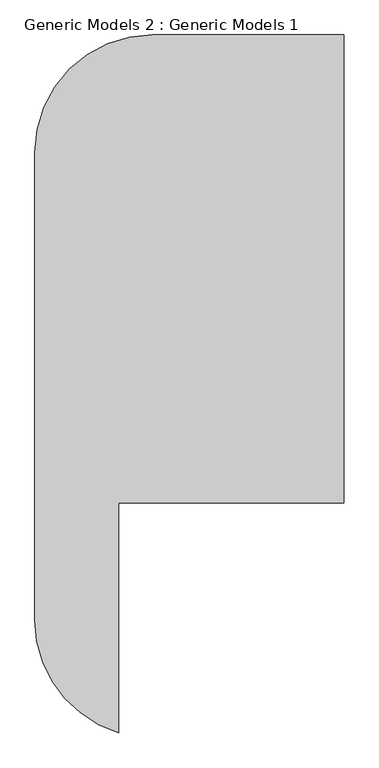
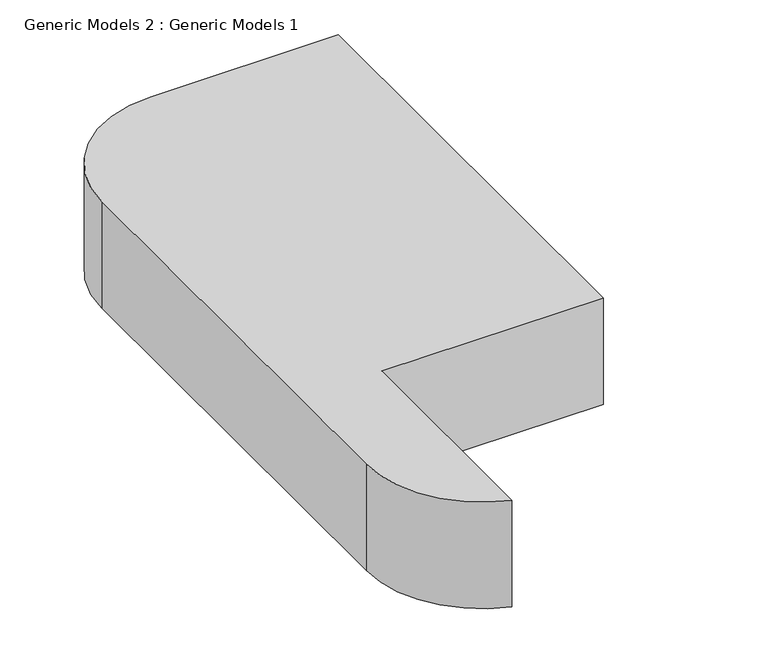
"""IFC4 building model written with IfcOpenShell, lengths in millimetres: proxy geometry, Generic Models 2 : Generic Models 1."""

from ifc_helpers import new_model, si_unit, point, frame, frame_2d, origin, place, context, project, spatial, polyline, circle_curve, trimmed, segment, composite_curve, outline, extrude, source, transform, mapped, element, save


def generic_models_2_generic_models_1_49c52a84(model_context):
    return source(origin(), model_context, "Body", "SweptSolid", [
        extrude(outline(composite_curve([segment(polyline([(92034.4520108, -17523.8341276), (92034.4520108, -21098.282075), (90311.8286405, -21098.282075), (90311.8286405, -22853.1268378)]), True, "CONTINUOUS"), segment(trimmed(circle_curve(frame_2d((90572.4027594, -21991.6739206)), 900.0), [point((90311.8286405, -22853.1268378))], [point((89672.4027594, -21991.6739206))], False, "CARTESIAN"), True, "CONTINUOUS"), segment(polyline([(89672.4027594, -21991.6739206), (89672.4027594, -18423.8341276)]), True, "CONTINUOUS"), segment(trimmed(circle_curve(frame_2d((90572.4027594, -18423.8341276)), 900.0), [point((89672.4027594, -18423.8341276))], [point((90572.4027594, -17523.8341276))], False, "CARTESIAN"), True, "CONTINUOUS"), segment(polyline([(90572.4027594, -17523.8341276), (92034.4520108, -17523.8341276)]), True, "CONTINUOUS")], self_intersect=False)), frame((0.0, 0.0, 67168.1365313), z_axis=(0.0, 0.0, 1.0), x_axis=(1.0, 0.0, 0.0)), (0.0, 0.0, 1.0), 877.9280591),
    ])


if __name__ == "__main__":
    model = new_model("IFC4")
    model_context = context("Model", 3, world=origin())
    ifc_project = project(units=[si_unit("LENGTHUNIT", "METRE", prefix="MILLI")], contexts=[model_context])
    site = spatial("IfcSite", under=ifc_project)
    building = spatial("IfcBuilding", under=site)
    placement = place(None, origin())
    generic_models_2_generic_models_1_shape = generic_models_2_generic_models_1_49c52a84(model_context)
    element("IfcBuildingElementProxy", 1, Name="Generic Models 2 : Generic Models 1", ObjectType="Generic Models 2 : Generic Models 1", at=placement, inside=building, context=model_context, shape_type="MappedRepresentation", body=[
        mapped(generic_models_2_generic_models_1_shape, transform((0.0, 0.0, 0.0), x_axis=(1.0, 0.0, 0.0), y_axis=(0.0, 1.0, 0.0), z_axis=(0.0, 0.0, 1.0))),
    ])
    save(model, "model.ifc")
